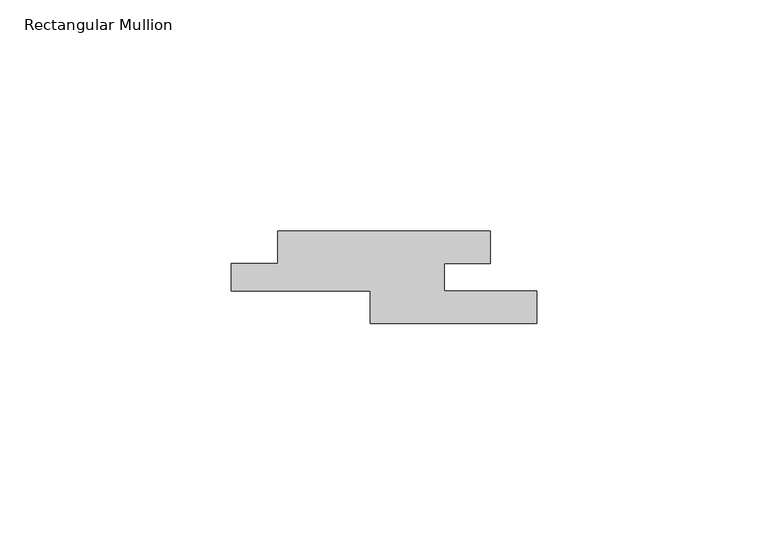
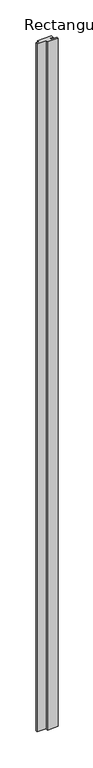
"""IFC4 building model written with IfcOpenShell, lengths in millimetres: member geometry, Rectangular Mullion."""

from ifc_helpers import new_model, si_unit, frame, origin, place, context, project, spatial, polyline, outline, extrude, source, transform, mapped, element, save


def rectangular_mullion_0455c95e(model_context):
    return source(origin(), model_context, "Body", "SweptSolid", [
        extrude(outline(polyline([(-66.0, -7.0), (-56.0, -7.0), (-56.0, 0.0), (-10.0, 0.0), (-10.0, -7.0), (-20.0, -7.0), (-20.0, -13.0), (0.0, -13.0), (0.0, -20.0), (-36.0, -20.0), (-36.0, -13.0), (-66.0, -13.0), (-66.0, -7.0)])), frame((0.0, 0.0, -2400.0), z_axis=(0.0, 0.0, 1.0), x_axis=(1.0, 0.0, 0.0)), (0.0, 0.0, 1.0), 2400.0),
    ])


if __name__ == "__main__":
    model = new_model("IFC4")
    model_context = context("Model", 3, world=origin())
    ifc_project = project(units=[si_unit("LENGTHUNIT", "METRE", prefix="MILLI")], contexts=[model_context])
    site = spatial("IfcSite", under=ifc_project)
    building = spatial("IfcBuilding", under=site)
    placement = place(None, origin())
    rectangular_mullion_shape = rectangular_mullion_0455c95e(model_context)
    element("IfcMember", 1, ObjectType="Rectangular Mullion", at=placement, inside=building, context=model_context, shape_type="MappedRepresentation", body=[
        mapped(rectangular_mullion_shape, transform((0.0, 0.0, 0.0), x_axis=(1.0, 0.0, 0.0), y_axis=(0.0, 1.0, 0.0), z_axis=(0.0, 0.0, 1.0))),
    ])
    save(model, "model.ifc")
